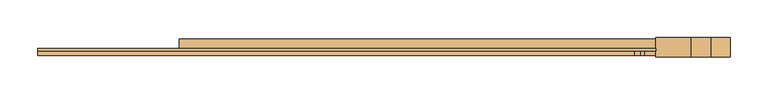
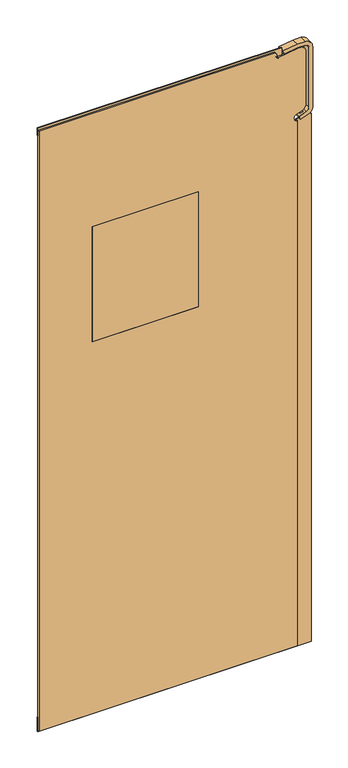
"""IFC4 building model written with IfcOpenShell, lengths in millimetres: door geometry."""

from ifc_helpers import new_model, si_unit, point, frame, frame_2d, origin, place, context, project, spatial, polyline, circle_curve, trimmed, segment, composite_curve, outline, extrude, source, transform, mapped, element, save


def door_75c72aec(model_context):
    return source(origin(), model_context, "Body", "SweptSolid", [
        extrude(outline(polyline([(-266.7, -9.8778808), (88.9, -9.8778808), (88.9, -16.2278808), (-266.7, -16.2278808), (-266.7, -9.8778808)])), frame((0.0, 0.0, 1320.8), z_axis=(0.0, 0.0, 1.0), x_axis=(1.0, 0.0, 0.0)), (0.0, 0.0, 1.0), 406.4),
        extrude(outline(polyline([(-444.5, -6.7028808), (371.475, -6.7028808), (371.475, -9.8778808), (-444.5, -9.8778808), (-444.5, -6.7028808)])), frame((0.0, 0.0, 2108.2), z_axis=(0.0, 0.0, 1.0), x_axis=(1.0, 0.0, 0.0)), (0.0, 0.0, 1.0), 25.4),
        extrude(outline(composite_curve([segment(polyline([(50.8, 419.1), (50.8, -444.5), (0.0, -444.5), (0.0, 469.9), (1864.1974302, 469.9)]), True, "CONTINUOUS"), segment(trimmed(circle_curve(frame_2d((1864.1974302, 463.55)), 6.35), [point((1864.1974302, 469.9))], [point((1870.4624389, 462.5145451))], False, "CARTESIAN"), True, "CONTINUOUS"), segment(polyline([(1870.4624389, 462.5145451), (1863.2870613, 419.1), (50.8, 419.1)]), True, "CONTINUOUS")], self_intersect=False)), frame((0.0, -9.8778808, 0.0), z_axis=(0.0, 1.0, 0.0), x_axis=(0.0, 0.0, 1.0)), (0.0, 0.0, 1.0), 3.175),
        extrude(outline(composite_curve([segment(polyline([(6.35, 419.1), (1863.4613959, 419.1)]), True, "CONTINUOUS"), segment(trimmed(circle_curve(frame_2d((1874.7237592, 419.294473)), 11.2640422), [point((1863.4613959, 419.1))], [point((1885.0925814, 414.8937714))], True, "CARTESIAN"), True, "CONTINUOUS"), segment(polyline([(1885.0925814, 414.8937714), (1893.7009176, 435.8701491)]), True, "CONTINUOUS"), segment(trimmed(circle_curve(frame_2d((1911.3246, 428.6377)), 19.05), [point((1893.7009176, 435.8701491))], [point((1911.3246, 447.6877))], False, "CARTESIAN"), True, "CONTINUOUS"), segment(polyline([(1911.3246, 447.6877), (2098.6496, 447.6877)]), True, "CONTINUOUS"), segment(trimmed(circle_curve(frame_2d((2098.6496, 428.6377)), 19.05), [point((2098.6496, 447.6877))], [point((2117.4715905, 425.6991331))], False, "CARTESIAN"), True, "CONTINUOUS"), segment(polyline([(2117.4715905, 425.6991331), (2106.6441024, 356.3473417)]), True, "CONTINUOUS"), segment(trimmed(circle_curve(frame_2d((2111.3496, 355.6127)), 4.7625), [point((2106.6441024, 356.3473417))], [point((2111.6971719, 350.8629))], True, "CARTESIAN"), True, "CONTINUOUS"), segment(polyline([(2111.6971719, 350.8629), (2119.2998, 350.8629)]), True, "CONTINUOUS"), segment(trimmed(circle_curve(frame_2d((2119.2998, 342.9127)), 7.9502), [point((2119.2998, 350.8629))], [point((2127.25, 342.9127))], False, "CARTESIAN"), True, "CONTINUOUS"), segment(polyline([(2127.25, 342.9127), (2127.25, -444.5), (6.35, -444.5), (6.35, 419.1)]), True, "CONTINUOUS")], self_intersect=False), holes=[polyline([(1727.2, 88.9), (1320.8, 88.9), (1320.8, -266.7), (1727.2, -266.7), (1727.2, 88.9)])]), frame((0.0, -16.2278808, 0.0), z_axis=(0.0, 1.0, 0.0), x_axis=(0.0, 0.0, 1.0)), (0.0, 0.0, 1.0), 6.35),
        extrude(outline(polyline([(2069.3025513, -50.4890417), (1909.7080322, 427.0211322), (1879.7610642, 432.1532359), (1882.6590193, 441.3204608), (2118.3250674, 400.933648), (2116.9013808, 391.5137731), (2085.1775513, 396.950383), (2085.1775513, -258.0021616), (2069.3025513, -258.0021616), (2069.3025513, -50.4890417)]), holes=[polyline([(1927.463175, 423.9783789), (2069.3025513, -0.4080324), (2069.3025513, 399.6709304), (1927.463175, 423.9783789)])]), frame((0.0, -9.8778808, 0.0), z_axis=(0.0, 1.0, 0.0), x_axis=(0.0, 0.0, 1.0)), (0.0, 0.0, 1.0), 15.875),
        extrude(outline(composite_curve([segment(trimmed(circle_curve(frame_2d((2108.35408, 444.5)), 12.7), [point((2121.05408, 444.5))], [point((2108.35408, 457.2))], True, "CARTESIAN"), True, "CONTINUOUS"), segment(polyline([(2108.35408, 457.2), (1896.9836042, 457.2)]), True, "CONTINUOUS"), segment(trimmed(circle_curve(frame_2d((1896.9836042, 444.5)), 12.7), [point((1896.9836042, 457.2))], [point((1884.8742587, 448.3280221))], True, "CARTESIAN"), True, "CONTINUOUS"), segment(polyline([(1884.8742587, 448.3280221), (1877.5458248, 425.1456746), (1865.4364794, 428.9736967), (1872.7649133, 452.1560442)]), True, "CONTINUOUS"), segment(trimmed(circle_curve(frame_2d((1896.9836042, 444.5)), 25.4), [point((1872.7649133, 452.1560442))], [point((1896.9836042, 469.9))], False, "CARTESIAN"), True, "CONTINUOUS"), segment(polyline([(1896.9836042, 469.9), (2108.35408, 469.9)]), True, "CONTINUOUS"), segment(trimmed(circle_curve(frame_2d((2108.35408, 444.5)), 25.4), [point((2108.35408, 469.9))], [point((2133.75408, 444.5))], False, "CARTESIAN"), True, "CONTINUOUS"), segment(polyline([(2133.75408, 444.5), (2133.75408, 418.0359615), (2126.7297586, 371.5592821), (2114.1723682, 373.4571618), (2121.05408, 418.9902593), (2121.05408, 444.5)]), True, "CONTINUOUS")], self_intersect=False)), frame((0.0, -17.8153808, 0.0), z_axis=(0.0, 1.0, 0.0), x_axis=(0.0, 0.0, 1.0)), (0.0, 0.0, 1.0), 25.4),
    ])


if __name__ == "__main__":
    model = new_model("IFC4")
    model_context = context("Model", 3, world=origin())
    ifc_project = project(units=[si_unit("LENGTHUNIT", "METRE", prefix="MILLI")], contexts=[model_context])
    site = spatial("IfcSite", under=ifc_project)
    building = spatial("IfcBuilding", under=site)
    placement = place(None, origin())
    door_shape = door_75c72aec(model_context)
    element("IfcDoor", 1, at=placement, inside=building, context=model_context, shape_type="MappedRepresentation", body=[
        mapped(door_shape, transform((0.0, 0.0, 0.0), x_axis=(1.0, 0.0, 0.0), y_axis=(0.0, 1.0, 0.0), z_axis=(0.0, 0.0, 1.0))),
    ])
    save(model, "model.ifc")
